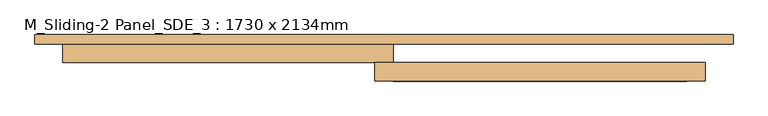
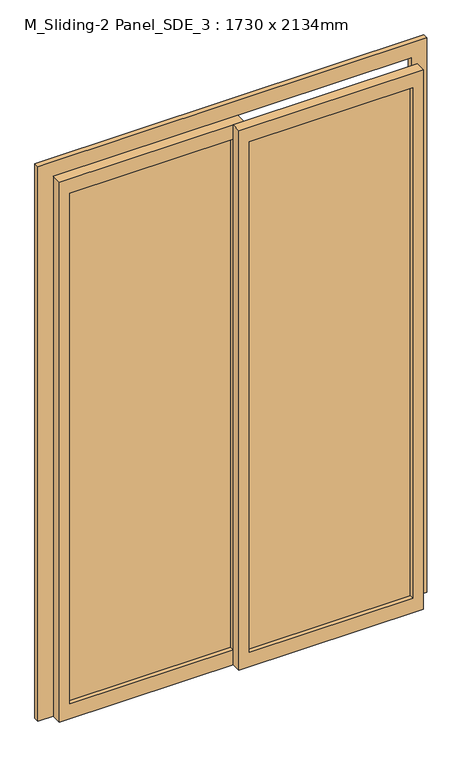
"""IFC4 building model written with IfcOpenShell, lengths in millimetres: door geometry, M_Sliding-2 Panel_SDE_3 : 1730 x 2134mm."""

from ifc_helpers import new_model, si_unit, frame, origin, place, context, project, spatial, polyline, outline, extrude, source, transform, mapped, element, save


def m_sliding_2_panel_sde_3_1730_x_2134mm_cd33aa6a(model_context):
    return source(origin(), model_context, "Body", "SweptSolid", [
        extrude(outline(polyline([(25.4, 130.175), (815.0, 130.175), (815.0, 123.825), (25.4, 123.825), (25.4, 130.175)])), frame((0.0, 0.0, 75.0), z_axis=(0.0, 0.0, 1.0), x_axis=(1.0, 0.0, 0.0)), (0.0, 0.0, 1.0), 2610.0),
        extrude(outline(polyline([(2760.0, -25.4), (0.0, -25.4), (0.0, 865.0), (2760.0, 865.0), (2760.0, -25.4)]), holes=[polyline([(2685.0, 24.6), (2685.0, 815.0), (75.0, 815.0), (75.0, 24.6), (2685.0, 24.6)])]), frame((0.0, 102.0, 0.0), z_axis=(0.0, 1.0, 0.0), x_axis=(0.0, 0.0, 1.0)), (0.0, 0.0, 1.0), 50.0),
        extrude(outline(polyline([(-815.0, 180.175), (-24.6, 180.175), (-24.6, 173.825), (-815.0, 173.825), (-815.0, 180.175)])), frame((0.0, 0.0, 75.0), z_axis=(0.0, 0.0, 1.0), x_axis=(1.0, 0.0, 0.0)), (0.0, 0.0, 1.0), 2610.0),
        extrude(outline(polyline([(2760.0, 25.4), (2760.0, -865.0), (0.0, -865.0), (0.0, 25.4), (2760.0, 25.4)]), holes=[polyline([(2685.0, -24.6), (75.0, -24.6), (75.0, -815.0), (2685.0, -815.0), (2685.0, -24.6)])]), frame((0.0, 152.0, 0.0), z_axis=(0.0, 1.0, 0.0), x_axis=(0.0, 0.0, 1.0)), (0.0, 0.0, 1.0), 50.0),
        extrude(outline(polyline([(0.0, 940.0), (2835.0, 940.0), (2835.0, -940.0), (0.0, -940.0), (0.0, -865.0), (2760.0, -865.0), (2760.0, 865.0), (0.0, 865.0), (0.0, 940.0)])), frame((0.0, 202.0, 0.0), z_axis=(0.0, 1.0, 0.0), x_axis=(0.0, 0.0, 1.0)), (0.0, 0.0, 1.0), 25.0),
    ])


if __name__ == "__main__":
    model = new_model("IFC4")
    model_context = context("Model", 3, world=origin())
    ifc_project = project(units=[si_unit("LENGTHUNIT", "METRE", prefix="MILLI")], contexts=[model_context])
    site = spatial("IfcSite", under=ifc_project)
    building = spatial("IfcBuilding", under=site)
    placement = place(None, origin())
    m_sliding_2_panel_sde_3_1730_x_2134mm_shape = m_sliding_2_panel_sde_3_1730_x_2134mm_cd33aa6a(model_context)
    element("IfcDoor", 1, ObjectType="M_Sliding-2 Panel_SDE_3 : 1730 x 2134mm", at=placement, inside=building, context=model_context, shape_type="MappedRepresentation", body=[
        mapped(m_sliding_2_panel_sde_3_1730_x_2134mm_shape, transform((0.0, 0.0, 0.0), x_axis=(1.0, 0.0, 0.0), y_axis=(0.0, 1.0, 0.0), z_axis=(0.0, 0.0, 1.0))),
    ])
    save(model, "model.ifc")
